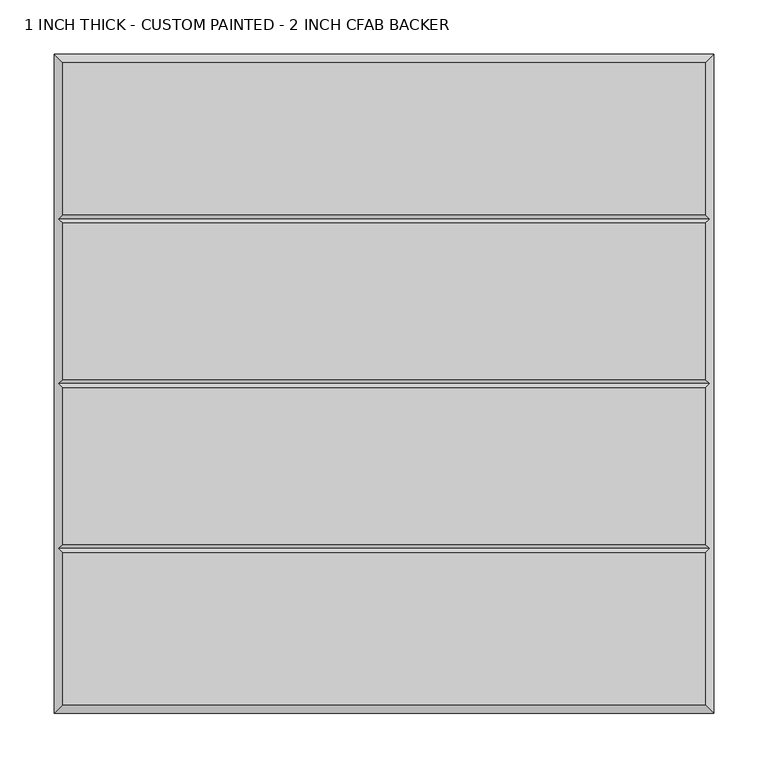
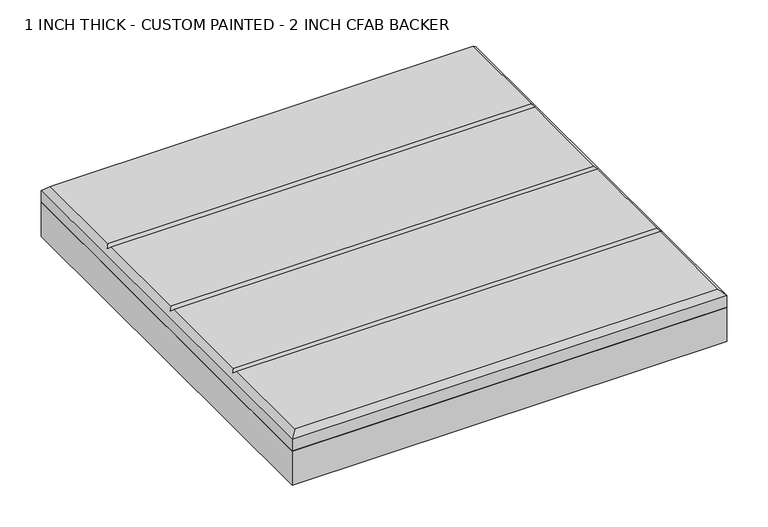
"""IFC4 building model written with IfcOpenShell, lengths in millimetres: proxy geometry, 1 INCH THICK - CUSTOM PAINTED - 2 INCH CFAB BACKER."""

from ifc_helpers import new_model, si_unit, frame, origin, place, context, project, spatial, polyline, outline, extrude, faceted_brep, source, transform, mapped, element, save


def proxy_1_inch_thick_custom_painted_2_inch_cfab_backer_04fdf758(model_context):
    return source(origin(), model_context, "Body", "SolidModel", [
        extrude(outline(polyline([(-304.8, 304.8), (304.8, 304.8), (304.8, -304.8), (-304.8, -304.8), (-304.8, 304.8)])), frame((0.0, 0.0, -50.8), z_axis=(0.0, 0.0, 1.0), x_axis=(1.0, 0.0, 0.0)), (0.0, 0.0, 1.0), 50.8),
        faceted_brep([(296.799, 296.799, 25.4), (-296.799, 296.799, 25.4), (-296.799, 156.4005254, 25.4), (296.799, 156.4005254, 25.4), (-296.799, -296.799, 25.4), (296.799, -296.799, 25.4), (296.799, -156.4004746, 25.4), (-296.799, -156.4004746, 25.4), (296.799, 148.3995254, 25.4), (-296.799, 148.3995254, 25.4), (-296.799, 4.0005, 25.4), (296.799, 4.0005, 25.4), (296.799, -4.0005, 25.4), (-296.799, -4.0005, 25.4), (-296.799, -148.3994746, 25.4), (296.799, -148.3994746, 25.4), (-304.8, 304.8, 0.0), (304.8, 304.8, 0.0), (304.8, -304.8, 0.0), (-304.8, -304.8, 0.0), (-304.8, -304.8, 17.399), (-304.8, 304.8, 17.399), (304.8, -304.8, 17.399), (304.8, 304.8, 17.399), (-300.7995, -152.3999746, 21.3995), (-300.7995, 0.0, 21.3995), (-300.7995, 152.4000254, 21.3995), (300.7995, 152.4000254, 21.3995), (300.7995, 0.0, 21.3995), (300.7995, -152.3999746, 21.3995)], [[[0, 1, 2, 3]], [[4, 5, 6, 7]], [[8, 9, 10, 11]], [[12, 13, 14, 15]], [[16, 17, 18, 19]], [[16, 19, 20, 21]], [[19, 18, 22, 20]], [[18, 17, 23, 22]], [[17, 16, 21, 23]], [[21, 1, 0, 23]], [[1, 21, 20, 4, 7, 24, 14, 13, 25, 10, 9, 26, 2]], [[4, 20, 22, 5]], [[23, 0, 3, 27, 8, 11, 28, 12, 15, 29, 6, 5, 22]], [[27, 26, 9, 8]], [[26, 27, 3, 2]], [[28, 25, 13, 12]], [[25, 28, 11, 10]], [[29, 24, 7, 6]], [[24, 29, 15, 14]]]),
    ])


if __name__ == "__main__":
    model = new_model("IFC4")
    model_context = context("Model", 3, world=origin())
    ifc_project = project(units=[si_unit("LENGTHUNIT", "METRE", prefix="MILLI")], contexts=[model_context])
    site = spatial("IfcSite", under=ifc_project)
    building = spatial("IfcBuilding", under=site)
    placement = place(None, origin())
    proxy_1_inch_thick_custom_painted_2_inch_cfab_backer_shape = proxy_1_inch_thick_custom_painted_2_inch_cfab_backer_04fdf758(model_context)
    element("IfcBuildingElementProxy", 1, Name="1 INCH THICK - CUSTOM PAINTED - 2 INCH CFAB BACKER", ObjectType="1 INCH THICK - CUSTOM PAINTED - 2 INCH CFAB BACKER", at=placement, inside=building, context=model_context, shape_type="MappedRepresentation", body=[
        mapped(proxy_1_inch_thick_custom_painted_2_inch_cfab_backer_shape, transform((0.0, 0.0, 0.0), x_axis=(1.0, 0.0, 0.0), y_axis=(0.0, 1.0, 0.0), z_axis=(0.0, 0.0, 1.0))),
    ])
    save(model, "model.ifc")
